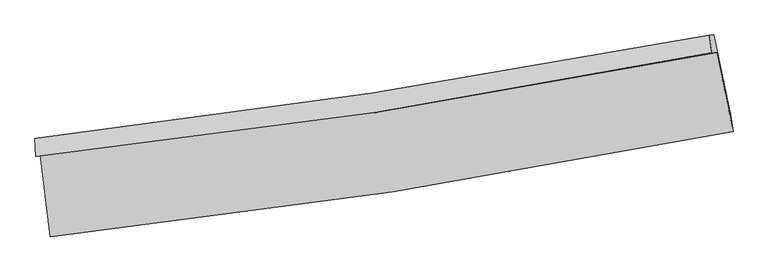
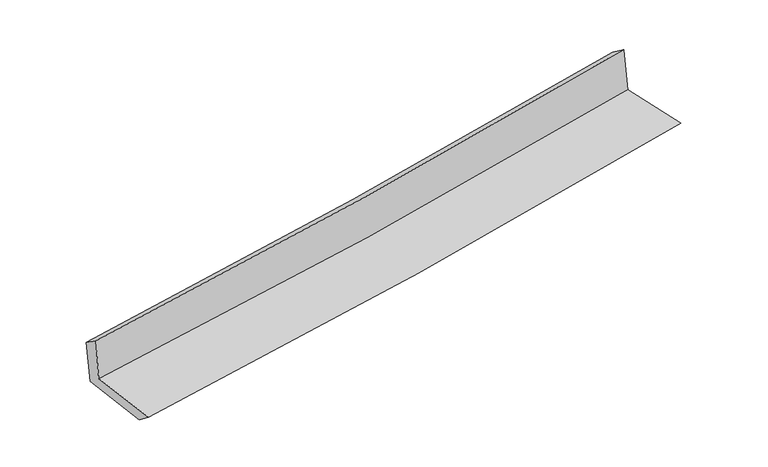
"""IFC4 building model written with IfcOpenShell, lengths in millimetres: proxy geometry."""

from ifc_helpers import new_model, si_unit, frame, origin, place, context, project, spatial, source, transform, mapped, element, save
from ifc_brep_helpers import plane_surface, spline_curve, spline_surface, advanced_brep


def generic_models_1f3a9229(model_context):
    return source(origin(), model_context, "Body", "AdvancedBrep", [
        advanced_brep(
        [(-2779.2307058, -1893.3572927, 1638.5222674), (-2696.1757032, -2565.5525998, 1629.8495116), (2862.8139462, -1706.6143832, 2119.9536154), (2727.7716768, -1062.7219199, 2113.2848879), (-2812.3894696, -1907.7352154, 2039.7893408), (2690.6405924, -1062.5201265, 2529.6467608), (-2821.2196101, -1763.5986368, 1938.4676511), (2670.1836201, -920.028706, 2422.3368539), (-2785.7812489, -1770.9368768, 1541.5583484), (2705.0027226, -917.4743189, 2025.4118324), (-2703.3685947, -2433.3377092, 1526.4867757), (2844.5119991, -1575.5781668, 2015.5402776)],
        [
            (0, 1),
            (1, 2, spline_curve(3, [(-2696.1757032, -2565.5525998, 1629.8495116), (-1765.85234187, -2464.27883196, 1719.523356049), (-838.403975827, -2342.25687283, 1805.125432459), (1014.616716777, -2056.118367474, 1968.527659685), (1940.16490054, -1891.827587616, 2046.293618053), (2862.8139462, -1706.6143832, 2119.9536154)], [4, 2, 4], [0.0, 9.199389836761812, 18.437324998789126])),
            (2, 3),
            (3, 0, spline_curve(3, [(2727.7716768, -1062.7219199, 2113.2848879), (1814.272175891, -1245.913857328, 2038.715137466), (897.639606235, -1406.827674231, 1961.779061776), (-938.053945843, -1683.520608315, 1803.505148843), (-1857.08883654, -1799.485249356, 1722.187017971), (-2779.2307058, -1893.3572927, 1638.5222674)], [4, 2, 4], [0.0, 9.237935162027314, 18.437324998789126])),
            (4, 0),
            (3, 5),
            (5, 4, spline_curve(3, [(2690.6405924, -1062.5201265, 2529.6467608), (1777.316293388, -1246.508100112, 2457.512817168), (861.103553338, -1409.03916463, 2380.528933263), (-973.263854402, -1690.598843232, 2217.202738526), (-1891.394468443, -1809.806141383, 2130.9008153), (-2812.3894696, -1907.7352154, 2039.7893408)], [4, 2, 4], [0.0, 9.19102680407387, 18.34370400821298])),
            (6, 4),
            (5, 7),
            (7, 6, spline_curve(3, [(2670.1836201, -920.028706, 2422.3368539), (1757.275114236, -1093.654661214, 2349.527472763), (842.242794218, -1250.877877917, 2272.707683016), (-988.242635599, -1531.931259418, 2111.384551742), (-1903.678059137, -1655.898019894, 2026.91460701), (-2821.2196101, -1763.5986368, 1938.4676511)], [4, 2, 4], [0.0, 9.179932832051534, 18.321562353815573])),
            (8, 6),
            (7, 9),
            (9, 8, spline_curve(3, [(2705.0027226, -917.4743189, 2025.4118324), (1793.176603362, -1096.043003324, 1949.323853147), (878.736166413, -1256.560253957, 1870.869507068), (-951.546928597, -1540.897448393, 1709.565306313), (-1867.367815312, -1664.867716949, 1626.735157634), (-2785.7812489, -1770.9368768, 1541.5583484)], [4, 2, 4], [0.0, 9.170152062868285, 18.30204162575169])),
            (10, 8),
            (9, 11),
            (11, 10, spline_curve(3, [(2844.5119991, -1575.5781668, 2015.5402776), (1922.891416552, -1753.676862458, 1938.490844327), (998.786019198, -1914.319190834, 1859.121627744), (-850.528204842, -2200.093668711, 1696.084475768), (-1775.716338562, -2325.371187956, 1612.43585829), (-2703.3685947, -2433.3377092, 1526.4867757)], [4, 2, 4], [0.0, 9.218079344800993, 18.397696212821558])),
            (1, 10),
            (11, 2),
        ],
        [
            spline_surface(3, 3, [[(-2779.2307058, -1893.3572927, 1638.5222674), (-1857.088836687, -1799.48524923, 1722.187017968), (-938.053945697, -1683.520608443, 1803.50514899), (897.639606088, -1406.827674103, 1961.779061629), (1814.272176015, -1245.913857282, 2038.715137446), (2727.7716768, -1062.7219199, 2113.2848879)], [(-2751.54570493, -2117.42239506, 1635.631348802), (-1826.676671784, -2021.083110095, 1721.299130651), (-904.837289069, -1903.099363233, 1804.045243431), (936.631976336, -1623.257905237, 1964.028594316), (1856.236417521, -1461.218434067, 2041.241297625), (2772.785766618, -1277.352740988, 2115.507797051)], [(-2723.86070407, -2341.48749744, 1632.740430198), (-1796.264506893, -2242.680970978, 1720.41124333), (-871.620632476, -2122.678118015, 1804.585337943), (975.62434655, -1839.688136365, 1966.278127073), (1898.200658973, -1676.523010889, 2043.76745785), (2817.799856382, -1491.983562112, 2117.730706249)], [(-2696.1757032, -2565.5525998, 1629.8495116), (-1765.85234199, -2464.278831843, 1719.523356013), (-838.403975849, -2342.256872805, 1805.125432384), (1014.616716799, -2056.1183675, 1968.52765976), (1940.164900479, -1891.827587675, 2046.293618029), (2862.8139462, -1706.6143832, 2119.9536154)]], [4, 4], [4, 2, 4], [0.0, 2.1749397514771758], [0.0, 9.199389836761812, 18.437324998789126]),
            spline_surface(3, 3, [[(-2812.3894696, -1907.7352154, 2039.7893408), (-1891.3944685, -1809.806141516, 2130.900815347), (-973.263854423, -1690.598843152, 2217.20273839), (861.103553359, -1409.039164711, 2380.5289334), (1777.316293271, -1246.508100127, 2457.512817046), (2690.6405924, -1062.5201265, 2529.6467608)], [(-2801.336548326, -1902.942574488, 1906.033649673), (-1879.959257888, -1806.365844075, 1994.662882894), (-961.52721818, -1688.239431582, 2079.30354194), (873.282237603, -1408.302001175, 2240.945642827), (1789.634920829, -1246.31001918, 2317.913590527), (2703.01762051, -1062.587390968, 2390.859469847)], [(-2790.283627074, -1898.149933612, 1772.277958527), (-1868.524047299, -1802.925546671, 1858.424950422), (-949.79058194, -1685.880020013, 1941.40434544), (885.460921844, -1407.564837639, 2101.362352203), (1801.953548457, -1246.111938229, 2178.314363965), (2715.39464869, -1062.654655432, 2252.072178853)], [(-2779.2307058, -1893.3572927, 1638.5222674), (-1857.088836687, -1799.48524923, 1722.187017968), (-938.053945697, -1683.520608443, 1803.50514899), (897.639606088, -1406.827674103, 1961.779061629), (1814.272176015, -1245.913857282, 2038.715137446), (2727.7716768, -1062.7219199, 2113.2848879)]], [4, 4], [4, 2, 4], [0.0, 1.370745389297539], [0.0, 9.152677204139112, 18.34370400821298]),
            spline_surface(3, 3, [[(-2821.2196101, -1763.5986368, 1938.4676511), (-1903.678058992, -1655.89801978, 2026.914607015), (-988.242635516, -1531.93125942, 2111.384551706), (842.242794135, -1250.877877914, 2272.707683051), (1757.275114099, -1093.654661349, 2349.527472615), (2670.1836201, -920.028706, 2422.3368539)], [(-2818.27622994, -1811.644163016, 1972.241547669), (-1899.583528835, -1707.200727041, 2061.576676462), (-983.249708492, -1584.820453999, 2146.657280595), (848.529713869, -1303.598306848, 2308.648099828), (1763.955507175, -1144.605807619, 2385.522587412), (2677.002610885, -967.525846177, 2458.106822853)], [(-2815.33284976, -1859.689689184, 2006.015444231), (-1895.488998657, -1758.503434255, 2096.2387459), (-978.256781447, -1637.709648573, 2181.930009501), (854.816633625, -1356.318735777, 2344.588516623), (1770.635900195, -1195.556953857, 2421.517702249), (2683.821601615, -1015.022986323, 2493.876791847)], [(-2812.3894696, -1907.7352154, 2039.7893408), (-1891.3944685, -1809.806141516, 2130.900815347), (-973.263854423, -1690.598843152, 2217.20273839), (861.103553359, -1409.039164711, 2380.5289334), (1777.316293271, -1246.508100127, 2457.512817046), (2690.6405924, -1062.5201265, 2529.6467608)]], [4, 4], [4, 2, 4], [0.0, 0.6293115709934407], [0.0, 9.141629521764038, 18.321562353815573]),
            spline_surface(3, 3, [[(-2785.7812489, -1770.9368768, 1541.5583484), (-1867.367815284, -1664.867716914, 1626.735157614), (-951.546928502, -1540.897448275, 1709.565306291), (878.736166318, -1256.560254075, 1870.86950709), (1793.176603377, -1096.043003421, 1949.323853122), (2705.0027226, -917.4743189, 2025.4118324)], [(-2797.594035957, -1768.490796784, 1673.861449295), (-1879.471229844, -1661.877817853, 1760.12830741), (-963.778830828, -1537.908718651, 1843.505054784), (866.571708936, -1254.666128682, 2004.815565765), (1781.209440278, -1095.24688938, 2082.725059641), (2693.396355093, -918.325781249, 2157.720172922)], [(-2809.406823043, -1766.044716816, 1806.164550205), (-1891.574644432, -1658.88791884, 1893.52145722), (-976.01073319, -1534.919989045, 1977.444803213), (854.407251517, -1252.772003307, 2138.761624376), (1769.242277198, -1094.450775391, 2216.126266095), (2681.789987607, -919.177243651, 2290.028513378)], [(-2821.2196101, -1763.5986368, 1938.4676511), (-1903.678058992, -1655.89801978, 2026.914607015), (-988.242635516, -1531.93125942, 2111.384551706), (842.242794135, -1250.877877914, 2272.707683051), (1757.275114099, -1093.654661349, 2349.527472615), (2670.1836201, -920.028706, 2422.3368539)]], [4, 4], [4, 2, 4], [0.0, 1.3240089471483343], [0.0, 9.131889562883407, 18.30204162575169]),
            spline_surface(3, 3, [[(-2703.3685947, -2433.3377092, 1526.4867757), (-1775.716338448, -2325.371187835, 1612.435858282), (-850.528204725, -2200.093668695, 1696.084475664), (998.786019081, -1914.319190851, 1859.121627849), (1922.891416635, -1753.676862535, 1938.490844448), (2844.5119991, -1575.5781668, 2015.5402776)], [(-2730.839479447, -2212.537431741, 1531.510633274), (-1806.266830741, -2105.203364202, 1617.2022914), (-884.201112644, -1980.361595212, 1700.57808585), (958.7694015, -1695.066211916, 1863.037587573), (1879.653145536, -1534.465576174, 1942.101847334), (2798.008906921, -1356.21021751, 2018.830795861)], [(-2758.310364153, -1991.737154259, 1536.534490826), (-1836.817322992, -1885.035540547, 1621.968724496), (-917.874020583, -1760.629521758, 1705.071696105), (918.752783899, -1475.81323301, 1866.953547366), (1836.414874476, -1315.254289783, 1945.712850237), (2751.505814779, -1136.84226819, 2022.121314139)], [(-2785.7812489, -1770.9368768, 1541.5583484), (-1867.367815284, -1664.867716914, 1626.735157614), (-951.546928502, -1540.897448275, 1709.565306291), (878.736166318, -1256.560254075, 1870.86950709), (1793.176603377, -1096.043003421, 1949.323853122), (2705.0027226, -917.4743189, 2025.4118324)]], [4, 4], [4, 2, 4], [0.0, 2.190988094370055], [0.0, 9.179616868020565, 18.397696212821558]),
            spline_surface(3, 3, [[(-2696.1757032, -2565.5525998, 1629.8495116), (-1765.85234199, -2464.278831843, 1719.523356013), (-838.403975849, -2342.256872805, 1805.125432384), (1014.616716799, -2056.1183675, 1968.52765976), (1940.164900479, -1891.827587675, 2046.293618029), (2862.8139462, -1706.6143832, 2119.9536154)], [(-2698.5733337, -2521.480969611, 1595.395266286), (-1769.140340809, -2417.976283851, 1683.827523422), (-842.445385498, -2294.869138114, 1768.778446825), (1009.339817535, -2008.851975295, 1932.058982471), (1934.407072537, -1845.777345969, 2010.359360168), (2856.713297173, -1662.935644407, 2085.149169466)], [(-2700.9709642, -2477.409339389, 1560.941021014), (-1772.428339629, -2371.673735827, 1648.131690872), (-846.486795076, -2247.481403386, 1732.431461223), (1004.062918344, -1961.585583055, 1895.590305138), (1928.649244577, -1799.727104241, 1974.425102309), (2850.612648127, -1619.256905593, 2050.344723534)], [(-2703.3685947, -2433.3377092, 1526.4867757), (-1775.716338448, -2325.371187835, 1612.435858282), (-850.528204725, -2200.093668695, 1696.084475664), (998.786019081, -1914.319190851, 1859.121627849), (1922.891416635, -1753.676862535, 1938.490844448), (2844.5119991, -1575.5781668, 2015.5402776)]], [4, 4], [4, 2, 4], [0.0, 0.5894926061585971], [0.0, 9.236078323075008, 18.51085569570197]),
            plane_surface(frame((2750.1540929, -1207.4896035, 2204.3623713), z_axis=(0.9748290452994232, 0.20534827928309635, 0.08683557241181143), x_axis=(-0.08738473691662003, -0.006410689076037582, 0.9961540095886698))),
            plane_surface(frame((-2766.3608887, -2055.7530551, 1719.1123158), z_axis=(-0.9889057903804748, -0.12107675147499947, -0.08605671388235762), x_axis=(-0.12261530485491647, 0.9923716803161685, 0.012803715156169435))),
        ],
        [
            (0, [[1, 2, 3, 4]]),
            (1, [[5, -4, 6, 7]]),
            (2, [[8, -7, 9, 10]]),
            (3, [[11, -10, 12, 13]]),
            (4, [[14, -13, 15, 16]]),
            (5, [[17, -16, 18, -2]]),
            (6, [[-12, -9, -6, -3, -18, -15]]),
            (7, [[-1, -5, -8, -11, -14, -17]]),
        ],
    ),
    ])


if __name__ == "__main__":
    model = new_model("IFC4")
    model_context = context("Model", 3, world=origin())
    ifc_project = project(units=[si_unit("LENGTHUNIT", "METRE", prefix="MILLI")], contexts=[model_context])
    site = spatial("IfcSite", under=ifc_project)
    building = spatial("IfcBuilding", under=site)
    placement = place(None, origin())
    generic_models_shape = generic_models_1f3a9229(model_context)
    element("IfcBuildingElementProxy", 1, Name="Generic Models", at=placement, inside=building, context=model_context, shape_type="MappedRepresentation", body=[
        mapped(generic_models_shape, transform((0.0, 0.0, 0.0), x_axis=(1.0, 0.0, 0.0), y_axis=(0.0, 1.0, 0.0), z_axis=(0.0, 0.0, 1.0))),
    ])
    save(model, "model.ifc")
